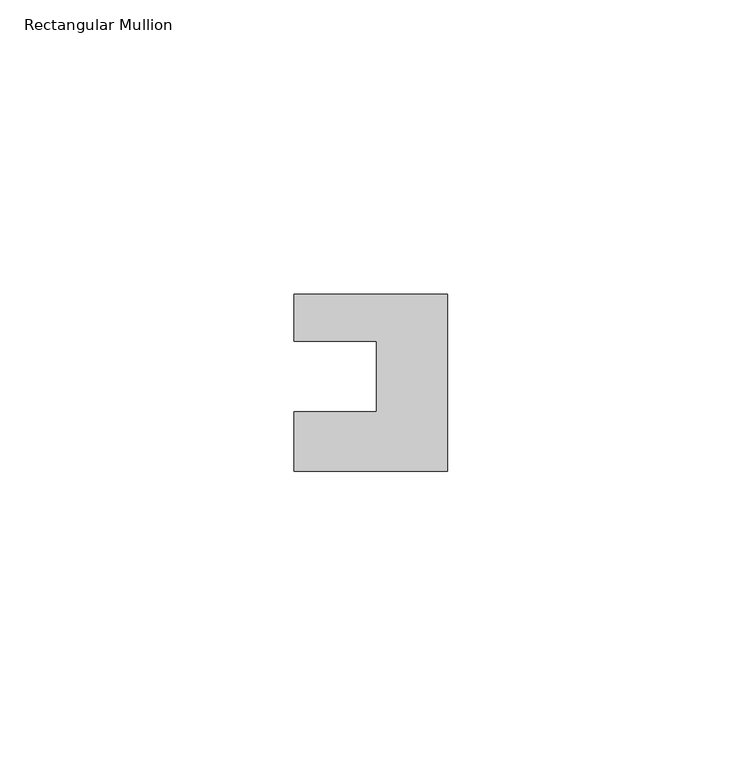
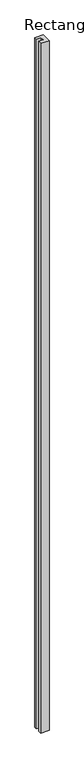
"""IFC4 building model written with IfcOpenShell, lengths in millimetres: member geometry, Rectangular Mullion."""

from ifc_helpers import new_model, si_unit, frame, origin, place, context, project, spatial, polyline, outline, extrude, source, transform, mapped, element, save


def rectangular_mullion_fe26eb09(model_context):
    return source(origin(), model_context, "Body", "SweptSolid", [
        extrude(outline(polyline([(-26.0, 0.001), (-26.0, 7.94), (0.0, 7.94), (0.0, -22.06), (-26.0, -22.06), (-26.0, -12.0), (-12.0, -12.0), (-12.0, 0.001), (-26.0, 0.001)])), frame((0.0, 0.0, -2239.0), z_axis=(0.0, 0.0, 1.0), x_axis=(1.0, 0.0, 0.0)), (0.0, 0.0, 1.0), 2239.0),
    ])


if __name__ == "__main__":
    model = new_model("IFC4")
    model_context = context("Model", 3, world=origin())
    ifc_project = project(units=[si_unit("LENGTHUNIT", "METRE", prefix="MILLI")], contexts=[model_context])
    site = spatial("IfcSite", under=ifc_project)
    building = spatial("IfcBuilding", under=site)
    placement = place(None, origin())
    rectangular_mullion_shape = rectangular_mullion_fe26eb09(model_context)
    element("IfcMember", 1, ObjectType="Rectangular Mullion", at=placement, inside=building, context=model_context, shape_type="MappedRepresentation", body=[
        mapped(rectangular_mullion_shape, transform((0.0, 0.0, 0.0), x_axis=(1.0, 0.0, 0.0), y_axis=(0.0, 1.0, 0.0), z_axis=(0.0, 0.0, 1.0))),
    ])
    save(model, "model.ifc")
